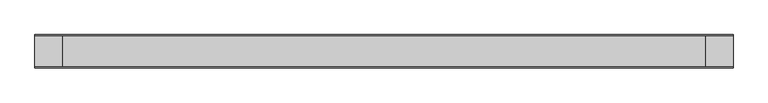
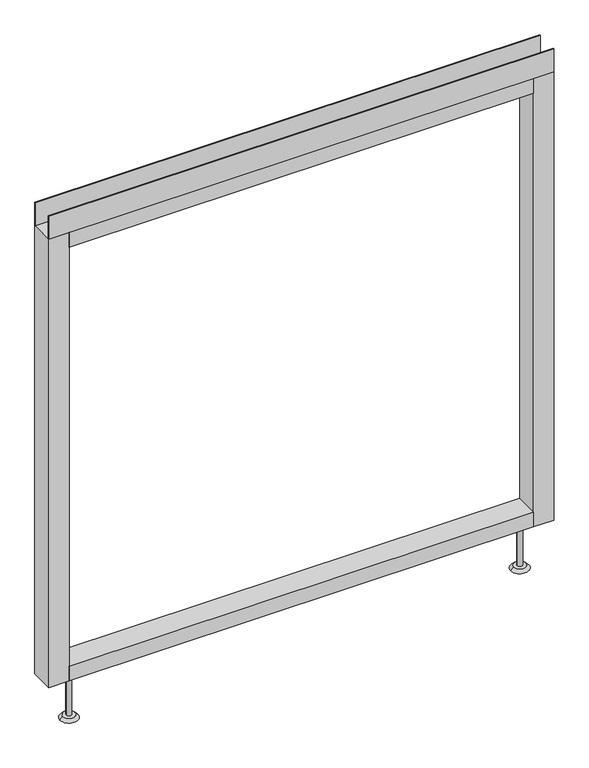
"""IFC4 building model written with IfcOpenShell, lengths in millimetres: furniture geometry."""

import ifcopenshell
import ifcopenshell.guid

model = None  # the IFC model being written
_history = None  # IfcOwnerHistory: only IFC2X3 demands one
_inside = {}  # id of a spatial element -> (the spatial element, [elements in it])
_under = {}  # id of a project, library or spatial element -> (it, [spatial elements below it])
_declared = {}  # id of a project -> (the project, [libraries it declares])
_typed = {}  # id of a type object -> (the type object, [elements of that type])
_made_of = {}  # id of a material, layer set ... -> (it, [elements and type objects made of it])


def new_model(schema):
    """Start an empty IFC model of exactly this schema.

    Asked for "IFC4X3", IfcOpenShell would pick the latest addendum, in which some entities
    have other attributes; the version numbers below select the first issue.
    IFC2X3 requires an IfcOwnerHistory on every rooted entity: one is made here for all.
    """
    global model, _history
    if schema == "IFC4X3":
        model = ifcopenshell.file(schema_version=(4, 3, 0, 0))
    else:
        model = ifcopenshell.file(schema=schema)
    _inside.clear()
    _under.clear()
    _declared.clear()
    _typed.clear()
    _made_of.clear()
    _history = None
    if model.schema == "IFC2X3":
        org = make("IfcOrganization", Name="unknown")
        user = make(
            "IfcPersonAndOrganization",
            ThePerson=make("IfcPerson", FamilyName="unknown"),
            TheOrganization=org,
        )
        app = make(
            "IfcApplication",
            ApplicationDeveloper=org,
            Version="unknown",
            ApplicationFullName="unknown",
            ApplicationIdentifier="unknown",
        )
        _history = make(
            "IfcOwnerHistory",
            OwningUser=user,
            OwningApplication=app,
            ChangeAction="ADDED",
            CreationDate=0,
        )
    return model


def make(cls, **values):
    """One entity of the class cls with the attributes given. An attribute that is None is left unset."""
    return model.create_entity(
        cls, **{name: value for name, value in values.items() if value is not None}
    )


def rooted(cls, **values):
    """An entity with a GlobalId (a new one), such as an element, a storey or a relation."""
    return make(cls, GlobalId=ifcopenshell.guid.new(), OwnerHistory=_history, **values)


def si_unit(unit_type, name, prefix=None):
    """IfcSIUnit, for example si_unit("LENGTHUNIT", "METRE", prefix="MILLI")."""
    return make("IfcSIUnit", UnitType=unit_type, Prefix=prefix, Name=name)


def assignment(units):
    """IfcUnitAssignment: the units of a project."""
    return None if units is None else make("IfcUnitAssignment", Units=units)


def point(xyz):
    """IfcCartesianPoint."""
    return None if xyz is None else make("IfcCartesianPoint", Coordinates=xyz)


def direction(xyz):
    """IfcDirection."""
    return None if xyz is None else make("IfcDirection", DirectionRatios=xyz)


def frame(location, z_axis=None, x_axis=None):
    """IfcAxis2Placement3D, a coordinate frame: its origin and axes. An axis left out is left unset."""
    return make(
        "IfcAxis2Placement3D",
        Location=point(location),
        Axis=direction(z_axis),
        RefDirection=direction(x_axis),
    )


def frame_2d(location, x_axis=None):
    """IfcAxis2Placement2D, a coordinate frame in the plane: its origin and x axis."""
    return make(
        "IfcAxis2Placement2D", Location=point(location), RefDirection=direction(x_axis)
    )


def origin():
    """The frame at (0, 0, 0) with its axes left unset."""
    return frame((0.0, 0.0, 0.0))


def place(relative_to, where):
    """IfcLocalPlacement: puts the frame where relative to a parent placement (None: the world)."""
    return make(
        "IfcLocalPlacement", PlacementRelTo=relative_to, RelativePlacement=where
    )


def context(
    kind, dimensions, precision=None, world=None, true_north=None, identifier=None
):
    """IfcGeometricRepresentationContext, for example the 3D "Model" context."""
    return make(
        "IfcGeometricRepresentationContext",
        ContextIdentifier=identifier,
        ContextType=kind,
        CoordinateSpaceDimension=dimensions,
        Precision=precision,
        WorldCoordinateSystem=world,
        TrueNorth=true_north,
    )


def project(units=None, contexts=None):
    """IfcProject with its units and contexts."""
    return rooted(
        "IfcProject",
        Name="project",
        RepresentationContexts=contexts,
        UnitsInContext=assignment(units),
    )


def spatial(cls, under=None, at=None, **own):
    """A site, building, storey or space (cls), placed at a placement, below another one or the project."""
    s = rooted(cls, ObjectPlacement=at, **own)
    if under is not None:
        _under.setdefault(under.id(), (under, []))[1].append(s)
    return s


def polyline(points):
    """IfcPolyline through the points."""
    return make("IfcPolyline", Points=[point(p) for p in points])


def circle_curve(where, radius):
    """IfcCircle in the frame where."""
    return make("IfcCircle", Position=where, Radius=radius)


def trimmed(basis, trim1, trim2, sense, master):
    """IfcTrimmedCurve: the piece of a basis curve between two trims."""
    return make(
        "IfcTrimmedCurve",
        BasisCurve=basis,
        Trim1=trim1,
        Trim2=trim2,
        SenseAgreement=sense,
        MasterRepresentation=master,
    )


def segment(curve, same_sense, transition):
    """IfcCompositeCurveSegment."""
    return make(
        "IfcCompositeCurveSegment",
        Transition=transition,
        SameSense=same_sense,
        ParentCurve=curve,
    )


def composite_curve(segments, self_intersect=None):
    """IfcCompositeCurve: segments joined end to end."""
    return make("IfcCompositeCurve", Segments=segments, SelfIntersect=self_intersect)


def outline(outer, holes=None, kind="AREA"):
    """IfcArbitraryClosedProfileDef: a profile drawn as a closed curve; with holes, ...WithVoids."""
    if holes is None:
        return make("IfcArbitraryClosedProfileDef", ProfileType=kind, OuterCurve=outer)
    return make(
        "IfcArbitraryProfileDefWithVoids",
        ProfileType=kind,
        OuterCurve=outer,
        InnerCurves=holes,
    )


def extrude(swept, where, along, depth):
    """IfcExtrudedAreaSolid: the profile swept, set in the frame where, extruded along a direction by depth."""
    return make(
        "IfcExtrudedAreaSolid",
        SweptArea=swept,
        Position=where,
        ExtrudedDirection=direction(along),
        Depth=depth,
    )


def shape(context_of_items, identifier, shape_type, items):
    """IfcShapeRepresentation: the items that make up one representation, for example the "Body"."""
    return make(
        "IfcShapeRepresentation",
        ContextOfItems=context_of_items,
        RepresentationIdentifier=identifier,
        RepresentationType=shape_type,
        Items=items,
    )


def source(mapping_origin, context_of_items, identifier, shape_type, items):
    """IfcRepresentationMap: a shape defined once, which mapped items show again and again."""
    return make(
        "IfcRepresentationMap",
        MappingOrigin=mapping_origin,
        MappedRepresentation=shape(context_of_items, identifier, shape_type, items),
    )


def transform(
    local_origin,
    x_axis=None,
    y_axis=None,
    z_axis=None,
    scale=None,
    scale2=None,
    scale3=None,
    uniform=True,
):
    """IfcCartesianTransformationOperator3D, or its non-uniform kind. x_axis, y_axis, z_axis: its Axis1, 2, 3."""
    if uniform:
        return make(
            "IfcCartesianTransformationOperator3D",
            Axis1=direction(x_axis),
            Axis2=direction(y_axis),
            LocalOrigin=point(local_origin),
            Scale=scale,
            Axis3=direction(z_axis),
        )
    return make(
        "IfcCartesianTransformationOperator3DnonUniform",
        Axis1=direction(x_axis),
        Axis2=direction(y_axis),
        LocalOrigin=point(local_origin),
        Scale=scale,
        Axis3=direction(z_axis),
        Scale2=scale2,
        Scale3=scale3,
    )


def mapped(mapping_source, mapping_target):
    """IfcMappedItem: shows the shape of a source again, moved by a transform."""
    return make(
        "IfcMappedItem", MappingSource=mapping_source, MappingTarget=mapping_target
    )


def made_of(thing, what):
    """Note that an element or type object is made of a material, layer set ...; save() writes the relation."""
    if what is not None:
        _made_of.setdefault(what.id(), (what, []))[1].append(thing)
    return thing


def element(
    cls,
    number,
    at=None,
    inside=None,
    cuts=None,
    type_object=None,
    material=None,
    context=None,
    identifier="Body",
    shape_type=None,
    held_by="IfcProductDefinitionShape",
    body=None,
    shapes=None,
    **own,
):
    """One element of the class cls, such as IfcWall. Its Tag is "e" and its number.

    at: its placement. inside: the storey or other place that contains it. cuts: it is an
    opening in that element (IfcRelVoidsElement). A single representation is given by context,
    identifier, shape_type and body (its items); several are given by shapes. held_by: the class
    of the entity that holds the representations. save() writes the other relations.
    """
    e = rooted(cls, Tag="e%d" % number, ObjectPlacement=at, **own)
    if body is not None:
        shapes = [shape(context, identifier, shape_type, body)]
    if shapes is not None:
        e.Representation = make(held_by, Representations=shapes)
    if inside is not None:
        _inside.setdefault(inside.id(), (inside, []))[1].append(e)
    if cuts is not None:
        rooted(
            "IfcRelVoidsElement", RelatingBuildingElement=cuts, RelatedOpeningElement=e
        )
    if type_object is not None:
        _typed.setdefault(type_object.id(), (type_object, []))[1].append(e)
    return made_of(e, material)


def aggregate(whole, parts):
    """IfcRelAggregates: a whole, such as a stair, and the parts it consists of."""
    return rooted("IfcRelAggregates", RelatingObject=whole, RelatedObjects=parts)


def save(model, path):
    """Write the relations noted so far, then the file.

    IfcRelAggregates (storeys below a building ...), IfcRelContainedInSpatialStructure (elements
    in a storey), IfcRelDefinesByType, IfcRelAssociatesMaterial and IfcRelDeclares: one each for
    every whole, place, type object, material and project.
    """
    for whole, parts in _under.values():
        aggregate(whole, parts)
    for where, things in _inside.values():
        rooted(
            "IfcRelContainedInSpatialStructure",
            RelatedElements=things,
            RelatingStructure=where,
        )
    for kind, things in _typed.values():
        rooted("IfcRelDefinesByType", RelatedObjects=things, RelatingType=kind)
    for what, things in _made_of.values():
        rooted("IfcRelAssociatesMaterial", RelatedObjects=things, RelatingMaterial=what)
    for by, libraries in _declared.values():
        rooted("IfcRelDeclares", RelatingContext=by, RelatedDefinitions=libraries)
    model.write(path)


def plane_surface(at):
    """IfcPlane: the flat surface through the origin of the frame at, square to its z axis."""
    return make("IfcPlane", Position=at)


def revolved_surface(curve, axis_point, axis_direction):
    """IfcSurfaceOfRevolution: the curve turned about the line through axis_point along axis_direction."""
    return make(
        "IfcSurfaceOfRevolution",
        SweptCurve=make("IfcArbitraryOpenProfileDef", ProfileType="CURVE", Curve=curve),
        AxisPosition=make("IfcAxis1Placement", Location=point(axis_point), Axis=direction(axis_direction)),
    )


def advanced_brep(points, edges, surfaces, faces):
    """IfcAdvancedBrep: a solid bounded by faces that lie on surfaces and meet in shared edges.

    An edge is (start, end): straight between two places in points (the first is 0);
    or (start, end, curve); or (start, end, curve, False) where it runs against its curve.
    A face is (place in surfaces, loops), or (place, loops, False) where it looks against
    its surface's normal. A loop lists edges by number (the first is 1), with a minus sign
    where the edge is run from its end to its start. The first loop is the outer one.
    """
    corners = [point(p) for p in points]
    vertices = [make("IfcVertexPoint", VertexGeometry=c) for c in corners]
    made = []
    for start, end, *more in edges:
        made.append(
            make(
                "IfcEdgeCurve",
                EdgeStart=vertices[start],
                EdgeEnd=vertices[end],
                EdgeGeometry=more[0] if more else make("IfcPolyline", Points=[corners[start], corners[end]]),
                SameSense=more[1] if len(more) > 1 else True,
            )
        )
    hull = []
    for where, loops, *sense in faces:
        bounds = []
        for j, loop in enumerate(loops):
            ring = [make("IfcOrientedEdge", EdgeElement=made[abs(k) - 1], Orientation=k > 0) for k in loop]
            bounds.append(
                make(
                    "IfcFaceOuterBound" if j == 0 else "IfcFaceBound",
                    Bound=make("IfcEdgeLoop", EdgeList=ring),
                    Orientation=True,
                )
            )
        hull.append(make("IfcAdvancedFace", Bounds=bounds, FaceSurface=surfaces[where], SameSense=sense[0] if sense else True))
    return make("IfcAdvancedBrep", Outer=make("IfcClosedShell", CfsFaces=hull))


def furniture_38efcc5f(model_context):
    return source(origin(), model_context, "Body", "SolidModel", [
        advanced_brep(
        [(463.55, 0.0, 6.35), (488.95, 0.0, 6.35), (457.2, 0.0, 0.0), (495.3, 0.0, 0.0)],
        [
            (0, 1, circle_curve(frame((476.25, 0.0, 6.35), z_axis=(-3.04822833645449e-12, 0.0, 1.0), x_axis=(-1.0, 0.0, -3.0481774992714863e-12)), 12.7)),
            (1, 0, circle_curve(frame((476.25, 0.0, 6.35), z_axis=(-3.04822833645449e-12, 0.0, 1.0), x_axis=(1.0, 0.0, 3.0481774992807776e-12)), 12.7)),
            (2, 3, circle_curve(frame((476.25, 0.0, 0.0), z_axis=(3.04822833645449e-12, 0.0, -1.0), x_axis=(1.0, 0.0, 3.0481774992807776e-12)), 19.05)),
            (3, 2, circle_curve(frame((476.25, 0.0, 0.0), z_axis=(3.04822833645449e-12, 0.0, -1.0), x_axis=(-1.0, 0.0, -3.0481774992714863e-12)), 19.05)),
            (3, 1),
            (0, 2),
        ],
        [
            plane_surface(frame((476.25, 0.0, 6.35), z_axis=(0.0, 0.0, 1.0), x_axis=(0.0, -1.0, 0.0))),
            plane_surface(frame((476.25, 0.0, 0.0), z_axis=(0.0, 0.0, -1.0), x_axis=(0.0, -1.0, 0.0))),
            revolved_surface(polyline([(463.55, 0.0, 6.35), (457.19999999988386, 0.0, -1.1613821015998838e-10)]), (476.25, 0.0, 19.05), (3.04822833645449e-12, 0.0, -1.0)),
            revolved_surface(polyline([(488.94999999992257, 0.0, 6.350000000077424), (495.3, 0.0, 0.0)]), (476.25, 0.0, 19.05), (3.04822833645449e-12, 0.0, -1.0)),
        ],
        [
            (0, [[1, 2]]),
            (1, [[3, 4]]),
            (2, [[-4, 5, -1, 6]]),
            (3, [[-3, -6, -2, -5]]),
        ],
    ),
        advanced_brep(
        [(-488.95, 0.0, 6.35), (-463.55, 0.0, 6.35), (-495.3, 0.0, 0.0), (-457.2, 0.0, 0.0)],
        [
            (0, 1, circle_curve(frame((-476.25, 0.0, 6.35), z_axis=(1.065814103655416e-12, 0.0, 1.0), x_axis=(-1.0, 0.0, 1.065778760947478e-12)), 12.7)),
            (1, 0, circle_curve(frame((-476.25, 0.0, 6.35), z_axis=(1.065814103655416e-12, 0.0, 1.0), x_axis=(1.0, 0.0, -1.0657787609463422e-12)), 12.7)),
            (2, 3, circle_curve(frame((-476.25, 0.0, 0.0), z_axis=(-1.065814103655416e-12, 0.0, -1.0), x_axis=(1.0, 0.0, -1.0657787609463422e-12)), 19.05)),
            (3, 2, circle_curve(frame((-476.25, 0.0, 0.0), z_axis=(-1.065814103655416e-12, 0.0, -1.0), x_axis=(-1.0, 0.0, 1.065778760947478e-12)), 19.05)),
            (3, 1),
            (0, 2),
        ],
        [
            plane_surface(frame((-476.25, 0.0, 6.35), z_axis=(0.0, 0.0, 1.0), x_axis=(0.0, -1.0, 0.0))),
            plane_surface(frame((-476.25, 0.0, 0.0), z_axis=(0.0, 0.0, -1.0), x_axis=(0.0, -1.0, 0.0))),
            revolved_surface(polyline([(-488.94999999997293, 0.0, 6.350000000027071), (-495.3, 0.0, 0.0)]), (-476.25, 0.0, 19.05), (-1.065814103655416e-12, 0.0, -1.0)),
            revolved_surface(polyline([(-463.55, 0.0, 6.35), (-457.1999999999594, 0.0, -4.0607517348689726e-11)]), (-476.25, 0.0, 19.05), (-1.065814103655416e-12, 0.0, -1.0)),
        ],
        [
            (0, [[1, 2]]),
            (1, [[3, 4]]),
            (2, [[-4, 5, -1, 6]]),
            (3, [[-3, -6, -2, -5]]),
        ],
    ),
        extrude(outline(polyline([(533.4, -23.8125), (533.4, -25.4), (-533.4, -25.4), (-533.4, -23.8125), (533.4, -23.8125)])), frame((0.0, 0.0, 1102.233), z_axis=(0.0, 0.0, 1.0), x_axis=(1.0, 0.0, 0.0)), (0.0, 0.0, 1.0), 51.435),
        extrude(outline(polyline([(533.4, 25.4), (533.4, 23.8125), (-533.4, 23.8125), (-533.4, 25.4), (533.4, 25.4)])), frame((0.0, 0.0, 1102.233), z_axis=(0.0, 0.0, 1.0), x_axis=(1.0, 0.0, 0.0)), (0.0, 0.0, 1.0), 51.435),
        extrude(outline(polyline([(490.5375, -25.4), (-490.5375, -25.4), (-490.5375, 25.4), (490.5375, 25.4), (490.5375, -25.4)])), frame((0.0, 0.0, 1069.34), z_axis=(0.0, 0.0, 1.0), x_axis=(1.0, 0.0, 0.0)), (0.0, 0.0, 1.0), 32.893),
        extrude(outline(polyline([(490.5375, -25.4), (-490.5375, -25.4), (-490.5375, 25.4), (490.5375, 25.4), (490.5375, -25.4)])), frame((0.0, 0.0, 101.6), z_axis=(0.0, 0.0, 1.0), x_axis=(1.0, 0.0, 0.0)), (0.0, 0.0, 1.0), 32.893),
        extrude(outline(composite_curve([segment(trimmed(circle_curve(frame_2d((-476.25, 0.0)), 5.55625), [point((-481.80625, 0.0))], [point((-470.69375, 0.0))], False, "CARTESIAN"), True, "CONTINUOUS"), segment(trimmed(circle_curve(frame_2d((-476.25, 0.0)), 5.55625), [point((-470.69375, 0.0))], [point((-481.80625, 0.0))], False, "CARTESIAN"), True, "CONTINUOUS")], self_intersect=False)), frame((0.0, 0.0, 6.35), z_axis=(0.0, 0.0, 1.0), x_axis=(1.0, 0.0, 0.0)), (0.0, 0.0, 1.0), 95.25),
        extrude(outline(composite_curve([segment(trimmed(circle_curve(frame_2d((476.25, 0.0)), 5.55625), [point((470.69375, 0.0))], [point((481.80625, 0.0))], False, "CARTESIAN"), True, "CONTINUOUS"), segment(trimmed(circle_curve(frame_2d((476.25, 0.0)), 5.55625), [point((481.80625, 0.0))], [point((470.69375, 0.0))], False, "CARTESIAN"), True, "CONTINUOUS")], self_intersect=False)), frame((0.0, 0.0, 6.35), z_axis=(0.0, 0.0, 1.0), x_axis=(1.0, 0.0, 0.0)), (0.0, 0.0, 1.0), 95.25),
        extrude(outline(polyline([(-490.5375, -25.4), (-533.4, -25.4), (-533.4, 25.4), (-490.5375, 25.4), (-490.5375, -25.4)])), frame((0.0, 0.0, 101.6), z_axis=(0.0, 0.0, 1.0), x_axis=(1.0, 0.0, 0.0)), (0.0, 0.0, 1.0), 1000.633),
        extrude(outline(polyline([(533.4, -25.4), (490.5375, -25.4), (490.5375, 25.4), (533.4, 25.4), (533.4, -25.4)])), frame((0.0, 0.0, 101.6), z_axis=(0.0, 0.0, 1.0), x_axis=(1.0, 0.0, 0.0)), (0.0, 0.0, 1.0), 1000.633),
    ])


if __name__ == "__main__":
    model = new_model("IFC4")
    model_context = context("Model", 3, world=origin())
    ifc_project = project(units=[si_unit("LENGTHUNIT", "METRE", prefix="MILLI")], contexts=[model_context])
    site = spatial("IfcSite", under=ifc_project)
    building = spatial("IfcBuilding", under=site)
    placement = place(None, origin())
    furniture_shape = furniture_38efcc5f(model_context)
    element("IfcFurniture", 1, at=placement, inside=building, context=model_context, shape_type="MappedRepresentation", body=[
        mapped(furniture_shape, transform((0.0, 0.0, 0.0), x_axis=(1.0, 0.0, 0.0), y_axis=(0.0, 1.0, 0.0), z_axis=(0.0, 0.0, 1.0))),
    ])
    save(model, "model.ifc")
